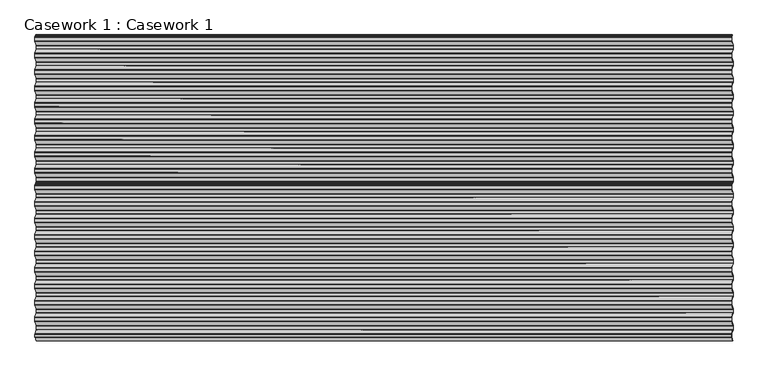
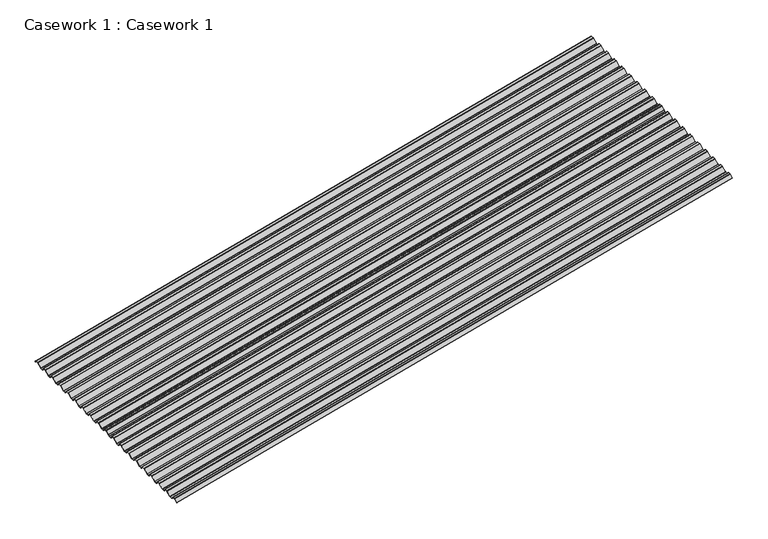
"""IFC4 building model written with IfcOpenShell, lengths in millimetres: furniture geometry, Casework 1 : Casework 1."""

from ifc_helpers import new_model, si_unit, point, frame, frame_2d, origin, place, context, project, spatial, polyline, circle_curve, trimmed, segment, composite_curve, outline, extrude, source, transform, mapped, element, save


def casework_1_casework_1_73ebd153(model_context):
    return source(origin(), model_context, "Body", "SweptSolid", [
        extrude(outline(composite_curve([segment(polyline([(-18.2436099, -22.4266797), (-18.4490736, -24.6598886), (-16.2158647, -24.8653523), (-11.7967966, -30.1799547)]), True, "CONTINUOUS"), segment(trimmed(circle_curve(frame_2d((-9.5, -28.25)), 3.0), [point((-11.7967966, -30.1799547))], [point((-9.5, -31.2499999))], True, "CARTESIAN"), True, "CONTINUOUS"), segment(polyline([(-9.5, -31.2499999), (9.5000005, -31.2499994)]), True, "CONTINUOUS"), segment(trimmed(circle_curve(frame_2d((9.5000004, -28.2499995)), 3.0), [point((9.5000005, -31.2499994))], [point((11.7936508, -30.1836923))], True, "CARTESIAN"), True, "CONTINUOUS"), segment(polyline([(11.7936508, -30.1836923), (36.0417995, -1.4217428)]), True, "CONTINUOUS"), segment(trimmed(circle_curve(frame_2d((39.1, -4.0)), 4.0), [point((36.0417995, -1.4217428))], [point((39.1, 0.0))], False, "CARTESIAN"), True, "CONTINUOUS"), segment(polyline([(39.1, 0.0), (58.12, 0.0)]), True, "CONTINUOUS"), segment(trimmed(circle_curve(frame_2d((58.12, -4.0)), 4.0), [point((58.12, 0.0))], [point((61.1781997, -1.421742))], False, "CARTESIAN"), True, "CONTINUOUS"), segment(polyline([(61.1781997, -1.421742), (85.4212538, -30.1776317)]), True, "CONTINUOUS"), segment(trimmed(circle_curve(frame_2d((87.72, -28.2499995)), 3.0), [point((85.4212538, -30.1776317))], [point((87.7199999, -31.2499994))], True, "CARTESIAN"), True, "CONTINUOUS"), segment(polyline([(87.7199999, -31.2499994), (106.7199999, -31.2499999)]), True, "CONTINUOUS"), segment(trimmed(circle_curve(frame_2d((106.72, -28.25)), 3.0), [point((106.7199999, -31.2499999))], [point((109.0188259, -30.1775372))], True, "CARTESIAN"), True, "CONTINUOUS"), segment(polyline([(109.0188259, -30.1775372), (133.2566222, -1.4278964)]), True, "CONTINUOUS"), segment(trimmed(circle_curve(frame_2d((136.32, -4.0)), 4.0), [point((133.2566222, -1.4278964))], [point((136.32, 0.0))], False, "CARTESIAN"), True, "CONTINUOUS"), segment(polyline([(136.32, 0.0), (155.342, 0.0)]), True, "CONTINUOUS"), segment(trimmed(circle_curve(frame_2d((155.342, -4.0)), 4.0), [point((155.342, 0.0))], [point((158.4053777, -1.4278964))], False, "CARTESIAN"), True, "CONTINUOUS"), segment(polyline([(158.4053777, -1.4278964), (182.6432537, -30.1776317)]), True, "CONTINUOUS"), segment(trimmed(circle_curve(frame_2d((184.942, -28.2499995)), 3.0), [point((182.6432537, -30.1776317))], [point((184.942, -31.2499994))], True, "CARTESIAN"), True, "CONTINUOUS"), segment(polyline([(184.942, -31.2499994), (203.9402476, -31.2499994)]), True, "CONTINUOUS"), segment(trimmed(circle_curve(frame_2d((203.942, -28.25)), 3.0), [point((203.9402476, -31.2499994))], [point((206.2356503, -30.1836928))], True, "CARTESIAN"), True, "CONTINUOUS"), segment(polyline([(206.2356503, -30.1836928), (230.4837995, -1.4217428)]), True, "CONTINUOUS"), segment(trimmed(circle_curve(frame_2d((233.542, -4.0)), 4.0), [point((230.4837995, -1.4217428))], [point((233.542, 0.0))], False, "CARTESIAN"), True, "CONTINUOUS"), segment(polyline([(233.542, 0.0), (252.564, 0.0)]), True, "CONTINUOUS"), segment(trimmed(circle_curve(frame_2d((252.564, -4.0)), 4.0), [point((252.564, 0.0))], [point((255.6273777, -1.4278964))], False, "CARTESIAN"), True, "CONTINUOUS"), segment(polyline([(255.6273777, -1.4278964), (279.8652537, -30.1776317)]), True, "CONTINUOUS"), segment(trimmed(circle_curve(frame_2d((282.164, -28.2499995)), 3.0), [point((279.8652537, -30.1776317))], [point((282.164, -31.2499994))], True, "CARTESIAN"), True, "CONTINUOUS"), segment(polyline([(282.164, -31.2499994), (301.1622476, -31.2499994)]), True, "CONTINUOUS"), segment(trimmed(circle_curve(frame_2d((301.164, -28.25)), 3.0), [point((301.1622476, -31.2499994))], [point((303.4576499, -30.1836933))], True, "CARTESIAN"), True, "CONTINUOUS"), segment(polyline([(303.4576499, -30.1836933), (327.7006222, -1.4278964)]), True, "CONTINUOUS"), segment(trimmed(circle_curve(frame_2d((330.764, -4.0)), 4.0), [point((327.7006222, -1.4278964))], [point((330.764, 0.0))], False, "CARTESIAN"), True, "CONTINUOUS"), segment(polyline([(330.764, 0.0), (349.786, 0.0)]), True, "CONTINUOUS"), segment(trimmed(circle_curve(frame_2d((349.786, -4.0)), 4.0), [point((349.786, 0.0))], [point((352.8493777, -1.4278964))], False, "CARTESIAN"), True, "CONTINUOUS"), segment(polyline([(352.8493777, -1.4278964), (377.0872537, -30.1776317)]), True, "CONTINUOUS"), segment(trimmed(circle_curve(frame_2d((379.386, -28.2499995)), 3.0), [point((377.0872537, -30.1776317))], [point((379.3859999, -31.2499994))], True, "CARTESIAN"), True, "CONTINUOUS"), segment(polyline([(379.3859999, -31.2499994), (398.3859999, -31.2499999)]), True, "CONTINUOUS"), segment(trimmed(circle_curve(frame_2d((398.386, -28.25)), 3.0), [point((398.3859999, -31.2499999))], [point((400.6848258, -30.1775373))], True, "CARTESIAN"), True, "CONTINUOUS"), segment(polyline([(400.6848258, -30.1775373), (424.9278002, -1.421742)]), True, "CONTINUOUS"), segment(trimmed(circle_curve(frame_2d((427.986, -4.0)), 4.0), [point((424.9278002, -1.421742))], [point((427.986, 0.0))], False, "CARTESIAN"), True, "CONTINUOUS"), segment(polyline([(427.986, 0.0), (447.008, 0.0)]), True, "CONTINUOUS"), segment(trimmed(circle_curve(frame_2d((447.008, -4.0)), 4.0), [point((447.008, 0.0))], [point((450.0662005, -1.4217428))], False, "CARTESIAN"), True, "CONTINUOUS"), segment(polyline([(450.0662005, -1.4217428), (474.3143496, -30.1836928)]), True, "CONTINUOUS"), segment(trimmed(circle_curve(frame_2d((476.608, -28.25)), 3.0), [point((474.3143496, -30.1836928))], [point((476.608, -31.2499999))], True, "CARTESIAN"), True, "CONTINUOUS"), segment(polyline([(476.608, -31.2499999), (495.6080005, -31.2499994)]), True, "CONTINUOUS"), segment(trimmed(circle_curve(frame_2d((495.6080004, -28.2499995)), 3.0), [point((495.6080005, -31.2499994))], [point((497.9016504, -30.1836928))], True, "CARTESIAN"), True, "CONTINUOUS"), segment(polyline([(497.9016504, -30.1836928), (522.1446222, -1.4278964)]), True, "CONTINUOUS"), segment(trimmed(circle_curve(frame_2d((525.208, -4.0)), 4.0), [point((522.1446222, -1.4278964))], [point((525.208, 0.0))], False, "CARTESIAN"), True, "CONTINUOUS"), segment(polyline([(525.208, 0.0), (544.232, 0.0)]), True, "CONTINUOUS"), segment(trimmed(circle_curve(frame_2d((544.232, -4.0)), 4.0), [point((544.232, 0.0))], [point((547.2953777, -1.4278964))], False, "CARTESIAN"), True, "CONTINUOUS"), segment(polyline([(547.2953777, -1.4278964), (571.5332537, -30.1776317)]), True, "CONTINUOUS"), segment(trimmed(circle_curve(frame_2d((573.832, -28.2499995)), 3.0), [point((571.5332537, -30.1776317))], [point((573.8319999, -31.2499994))], True, "CARTESIAN"), True, "CONTINUOUS"), segment(polyline([(573.8319999, -31.2499994), (592.8319999, -31.2499999)]), True, "CONTINUOUS"), segment(trimmed(circle_curve(frame_2d((592.832, -28.25)), 3.0), [point((592.8319999, -31.2499999))], [point((595.1308259, -30.1775372))], True, "CARTESIAN"), True, "CONTINUOUS"), segment(polyline([(595.1308259, -30.1775372), (619.3686222, -1.4278964)]), True, "CONTINUOUS"), segment(trimmed(circle_curve(frame_2d((622.432, -4.0)), 4.0), [point((619.3686222, -1.4278964))], [point((622.432, 0.0))], False, "CARTESIAN"), True, "CONTINUOUS"), segment(polyline([(622.432, 0.0), (641.454, 0.0)]), True, "CONTINUOUS"), segment(trimmed(circle_curve(frame_2d((641.454, -4.0)), 4.0), [point((641.454, 0.0))], [point((644.5173777, -1.4278964))], False, "CARTESIAN"), True, "CONTINUOUS"), segment(polyline([(644.5173777, -1.4278964), (668.7552537, -30.1776317)]), True, "CONTINUOUS"), segment(trimmed(circle_curve(frame_2d((671.054, -28.2499995)), 3.0), [point((668.7552537, -30.1776317))], [point((671.0539999, -31.2499994))], True, "CARTESIAN"), True, "CONTINUOUS"), segment(polyline([(671.0539999, -31.2499994), (690.0539999, -31.2499999)]), True, "CONTINUOUS"), segment(trimmed(circle_curve(frame_2d((690.054, -28.25)), 3.0), [point((690.0539999, -31.2499999))], [point((692.3528259, -30.1775372))], True, "CARTESIAN"), True, "CONTINUOUS"), segment(polyline([(692.3528259, -30.1775372), (716.5906222, -1.4278964)]), True, "CONTINUOUS"), segment(trimmed(circle_curve(frame_2d((719.654, -4.0)), 4.0), [point((716.5906222, -1.4278964))], [point((719.654, 0.0))], False, "CARTESIAN"), True, "CONTINUOUS"), segment(polyline([(719.654, 0.0), (738.676, 0.0)]), True, "CONTINUOUS"), segment(trimmed(circle_curve(frame_2d((738.676, -4.0)), 4.0), [point((738.676, 0.0))], [point((741.7393777, -1.4278964))], False, "CARTESIAN"), True, "CONTINUOUS"), segment(polyline([(741.7393777, -1.4278964), (765.9772537, -30.1776317)]), True, "CONTINUOUS"), segment(trimmed(circle_curve(frame_2d((768.276, -28.2499995)), 3.0), [point((765.9772537, -30.1776317))], [point((768.2759999, -31.2499994))], True, "CARTESIAN"), True, "CONTINUOUS"), segment(polyline([(768.2759999, -31.2499994), (787.2759999, -31.2499999)]), True, "CONTINUOUS"), segment(trimmed(circle_curve(frame_2d((787.276, -28.25)), 3.0), [point((787.2759999, -31.2499999))], [point((789.5748259, -30.1775372))], True, "CARTESIAN"), True, "CONTINUOUS"), segment(polyline([(789.5748259, -30.1775372), (813.8126222, -1.4278964)]), True, "CONTINUOUS"), segment(trimmed(circle_curve(frame_2d((816.876, -4.0)), 4.0), [point((813.8126222, -1.4278964))], [point((816.876, 0.0))], False, "CARTESIAN"), True, "CONTINUOUS"), segment(polyline([(816.876, 0.0), (838.6568295, 0.0)]), True, "CONTINUOUS"), segment(trimmed(circle_curve(frame_2d((838.6568295, -4.0)), 4.0), [point((838.6568295, 0.0))], [point((841.7061337, -1.4112273))], False, "CARTESIAN"), True, "CONTINUOUS"), segment(polyline([(841.7061337, -1.4112273), (861.8350701, -25.25), (863.7304827, -25.25)]), True, "CONTINUOUS"), segment(trimmed(circle_curve(frame_2d((863.7304827, -27.2499999)), 2.0), [point((863.7304827, -25.25))], [point((865.2683143, -25.9712999))], False, "CARTESIAN"), True, "CONTINUOUS"), segment(polyline([(865.2683143, -25.9712999), (868.0010641, -29.2578479), (883.4536327, -29.25)]), True, "CONTINUOUS"), segment(trimmed(circle_curve(frame_2d((883.4536327, -26.25)), 3.0), [point((883.4536327, -29.25))], [point((885.7420901, -28.1898358))], True, "CARTESIAN"), True, "CONTINUOUS"), segment(polyline([(885.7420901, -28.1898358), (904.8739638, -5.4965708)]), True, "CONTINUOUS"), segment(trimmed(circle_curve(frame_2d((905.2059099, -5.8742903)), 0.5028521), [point((904.8739638, -5.4965708))], [point((905.5969394, -6.1904487))], False, "CARTESIAN"), True, "CONTINUOUS"), segment(polyline([(905.5969394, -6.1904487), (886.5178105, -28.8211504)]), True, "CONTINUOUS"), segment(trimmed(circle_curve(frame_2d((883.4536327, -26.25)), 4.0), [point((886.5178105, -28.8211504))], [point((883.4536327, -30.25))], False, "CARTESIAN"), True, "CONTINUOUS"), segment(polyline([(883.4536327, -30.25), (868.001572, -30.2578476)]), True, "CONTINUOUS"), segment(trimmed(circle_curve(frame_2d((868.0010641, -29.2578479)), 1.0), [point((868.001572, -30.2578476))], [point((867.2321483, -29.8971979))], False, "CARTESIAN"), True, "CONTINUOUS"), segment(polyline([(867.2321483, -29.8971979), (864.4993985, -26.6106499)]), True, "CONTINUOUS"), segment(trimmed(circle_curve(frame_2d((863.7304827, -27.2499999)), 1.0), [point((864.4993985, -26.6106499))], [point((863.7304827, -26.25))], True, "CARTESIAN"), True, "CONTINUOUS"), segment(polyline([(863.7304827, -26.25), (861.3706417, -26.25), (840.9549628, -2.0716371)]), True, "CONTINUOUS"), segment(trimmed(circle_curve(frame_2d((838.6568295, -4.0)), 3.0), [point((840.9549628, -2.0716371))], [point((838.6568295, -1.0))], True, "CARTESIAN"), True, "CONTINUOUS"), segment(polyline([(838.6568295, -1.0), (816.876, -1.0)]), True, "CONTINUOUS"), segment(trimmed(circle_curve(frame_2d((816.876, -4.0)), 3.0), [point((816.876, -1.0))], [point((814.5778666, -2.0716371))], True, "CARTESIAN"), True, "CONTINUOUS"), segment(polyline([(814.5778666, -2.0716371), (790.3401777, -30.8211505)]), True, "CONTINUOUS"), segment(trimmed(circle_curve(frame_2d((787.276, -28.25)), 4.0), [point((790.3401777, -30.8211505))], [point((787.276, -32.25))], False, "CARTESIAN"), True, "CONTINUOUS"), segment(polyline([(787.276, -32.25), (768.276, -32.25)]), True, "CONTINUOUS"), segment(trimmed(circle_curve(frame_2d((768.276, -28.25)), 4.0), [point((768.276, -32.25))], [point((765.2118222, -30.8211505))], False, "CARTESIAN"), True, "CONTINUOUS"), segment(polyline([(765.2118222, -30.8211505), (740.9741333, -2.0716371)]), True, "CONTINUOUS"), segment(trimmed(circle_curve(frame_2d((738.676, -4.0)), 3.0), [point((740.9741333, -2.0716371))], [point((738.676, -1.0))], True, "CARTESIAN"), True, "CONTINUOUS"), segment(polyline([(738.676, -1.0), (719.654, -1.0)]), True, "CONTINUOUS"), segment(trimmed(circle_curve(frame_2d((719.654, -4.0)), 3.0), [point((719.654, -1.0))], [point((717.3558666, -2.0716371))], True, "CARTESIAN"), True, "CONTINUOUS"), segment(polyline([(717.3558666, -2.0716371), (693.1181777, -30.8211505)]), True, "CONTINUOUS"), segment(trimmed(circle_curve(frame_2d((690.054, -28.25)), 4.0), [point((693.1181777, -30.8211505))], [point((690.054, -32.25))], False, "CARTESIAN"), True, "CONTINUOUS"), segment(polyline([(690.054, -32.25), (671.054, -32.25)]), True, "CONTINUOUS"), segment(trimmed(circle_curve(frame_2d((671.054, -28.25)), 4.0), [point((671.054, -32.25))], [point((667.9898222, -30.8211505))], False, "CARTESIAN"), True, "CONTINUOUS"), segment(polyline([(667.9898222, -30.8211505), (643.7521333, -2.0716371)]), True, "CONTINUOUS"), segment(trimmed(circle_curve(frame_2d((641.454, -4.0)), 3.0), [point((643.7521333, -2.0716371))], [point((641.454, -1.0))], True, "CARTESIAN"), True, "CONTINUOUS"), segment(polyline([(641.454, -1.0), (622.432, -1.0)]), True, "CONTINUOUS"), segment(trimmed(circle_curve(frame_2d((622.432, -4.0)), 3.0), [point((622.432, -1.0))], [point((620.1338666, -2.0716371))], True, "CARTESIAN"), True, "CONTINUOUS"), segment(polyline([(620.1338666, -2.0716371), (595.8961777, -30.8211505)]), True, "CONTINUOUS"), segment(trimmed(circle_curve(frame_2d((592.832, -28.25)), 4.0), [point((595.8961777, -30.8211505))], [point((592.832, -32.25))], False, "CARTESIAN"), True, "CONTINUOUS"), segment(polyline([(592.832, -32.25), (573.832, -32.25)]), True, "CONTINUOUS"), segment(trimmed(circle_curve(frame_2d((573.832, -28.25)), 4.0), [point((573.832, -32.25))], [point((570.7678222, -30.8211505))], False, "CARTESIAN"), True, "CONTINUOUS"), segment(polyline([(570.7678222, -30.8211505), (546.5301333, -2.0716371)]), True, "CONTINUOUS"), segment(trimmed(circle_curve(frame_2d((544.232, -4.0)), 3.0), [point((546.5301333, -2.0716371))], [point((544.232, -1.0))], True, "CARTESIAN"), True, "CONTINUOUS"), segment(polyline([(544.232, -1.0), (525.208, -1.0)]), True, "CONTINUOUS"), segment(trimmed(circle_curve(frame_2d((525.208, -4.0)), 3.0), [point((525.208, -1.0))], [point((522.9098666, -2.0716371))], True, "CARTESIAN"), True, "CONTINUOUS"), segment(polyline([(522.9098666, -2.0716371), (498.6661999, -30.8282577)]), True, "CONTINUOUS"), segment(trimmed(circle_curve(frame_2d((495.608, -28.25)), 4.0), [point((498.6661999, -30.8282577))], [point((495.608, -32.25))], False, "CARTESIAN"), True, "CONTINUOUS"), segment(polyline([(495.608, -32.25), (476.608, -32.25)]), True, "CONTINUOUS"), segment(trimmed(circle_curve(frame_2d((476.608, -28.25)), 4.0), [point((476.608, -32.25))], [point((473.5497995, -30.8282571))], False, "CARTESIAN"), True, "CONTINUOUS"), segment(polyline([(473.5497995, -30.8282571), (449.3016503, -2.0663071)]), True, "CONTINUOUS"), segment(trimmed(circle_curve(frame_2d((447.008, -4.0)), 3.0), [point((449.3016503, -2.0663071))], [point((447.008, -1.0))], True, "CARTESIAN"), True, "CONTINUOUS"), segment(polyline([(447.008, -1.0), (427.986, -1.0)]), True, "CONTINUOUS"), segment(trimmed(circle_curve(frame_2d((427.986, -4.0)), 3.0), [point((427.986, -1.0))], [point((425.6923501, -2.0663065))], True, "CARTESIAN"), True, "CONTINUOUS"), segment(polyline([(425.6923501, -2.0663065), (401.4501777, -30.8211505)]), True, "CONTINUOUS"), segment(trimmed(circle_curve(frame_2d((398.386, -28.25)), 4.0), [point((401.4501777, -30.8211505))], [point((398.386, -32.25))], False, "CARTESIAN"), True, "CONTINUOUS"), segment(polyline([(398.386, -32.25), (379.386, -32.25)]), True, "CONTINUOUS"), segment(trimmed(circle_curve(frame_2d((379.386, -28.25)), 4.0), [point((379.386, -32.25))], [point((376.3218222, -30.8211505))], False, "CARTESIAN"), True, "CONTINUOUS"), segment(polyline([(376.3218222, -30.8211505), (352.0841333, -2.0716371)]), True, "CONTINUOUS"), segment(trimmed(circle_curve(frame_2d((349.786, -4.0)), 3.0), [point((352.0841333, -2.0716371))], [point((349.786, -1.0))], True, "CARTESIAN"), True, "CONTINUOUS"), segment(polyline([(349.786, -1.0), (330.764, -1.0)]), True, "CONTINUOUS"), segment(trimmed(circle_curve(frame_2d((330.764, -4.0)), 3.0), [point((330.764, -1.0))], [point((328.4658666, -2.0716371))], True, "CARTESIAN"), True, "CONTINUOUS"), segment(polyline([(328.4658666, -2.0716371), (304.2221999, -30.8282577)]), True, "CONTINUOUS"), segment(trimmed(circle_curve(frame_2d((301.164, -28.25)), 4.0), [point((304.2221999, -30.8282577))], [point((301.164, -32.25))], False, "CARTESIAN"), True, "CONTINUOUS"), segment(polyline([(301.164, -32.25), (282.164, -32.25)]), True, "CONTINUOUS"), segment(trimmed(circle_curve(frame_2d((282.164, -28.25)), 4.0), [point((282.164, -32.25))], [point((279.0998222, -30.8211505))], False, "CARTESIAN"), True, "CONTINUOUS"), segment(polyline([(279.0998222, -30.8211505), (254.8621333, -2.0716371)]), True, "CONTINUOUS"), segment(trimmed(circle_curve(frame_2d((252.564, -4.0)), 3.0), [point((254.8621333, -2.0716371))], [point((252.564, -1.0))], True, "CARTESIAN"), True, "CONTINUOUS"), segment(polyline([(252.564, -1.0), (233.542, -1.0)]), True, "CONTINUOUS"), segment(trimmed(circle_curve(frame_2d((233.542, -4.0)), 3.0), [point((233.542, -1.0))], [point((231.2483496, -2.0663071))], True, "CARTESIAN"), True, "CONTINUOUS"), segment(polyline([(231.2483496, -2.0663071), (207.0002005, -30.8282571)]), True, "CONTINUOUS"), segment(trimmed(circle_curve(frame_2d((203.942, -28.25)), 4.0), [point((207.0002005, -30.8282571))], [point((203.942, -32.25))], False, "CARTESIAN"), True, "CONTINUOUS"), segment(polyline([(203.942, -32.25), (184.942, -32.25)]), True, "CONTINUOUS"), segment(trimmed(circle_curve(frame_2d((184.942, -28.25)), 4.0), [point((184.942, -32.25))], [point((181.8778222, -30.8211505))], False, "CARTESIAN"), True, "CONTINUOUS"), segment(polyline([(181.8778222, -30.8211505), (157.6401333, -2.0716371)]), True, "CONTINUOUS"), segment(trimmed(circle_curve(frame_2d((155.342, -4.0)), 3.0), [point((157.6401333, -2.0716371))], [point((155.342, -1.0))], True, "CARTESIAN"), True, "CONTINUOUS"), segment(polyline([(155.342, -1.0), (136.32, -1.0)]), True, "CONTINUOUS"), segment(trimmed(circle_curve(frame_2d((136.32, -4.0)), 3.0), [point((136.32, -1.0))], [point((134.0218666, -2.0716371))], True, "CARTESIAN"), True, "CONTINUOUS"), segment(polyline([(134.0218666, -2.0716371), (109.7841777, -30.8211505)]), True, "CONTINUOUS"), segment(trimmed(circle_curve(frame_2d((106.72, -28.25)), 4.0), [point((109.7841777, -30.8211505))], [point((106.72, -32.25))], False, "CARTESIAN"), True, "CONTINUOUS"), segment(polyline([(106.72, -32.25), (87.72, -32.25)]), True, "CONTINUOUS"), segment(trimmed(circle_curve(frame_2d((87.72, -28.25)), 4.0), [point((87.72, -32.25))], [point((84.6558222, -30.8211505))], False, "CARTESIAN"), True, "CONTINUOUS"), segment(polyline([(84.6558222, -30.8211505), (60.4136498, -2.0663065)]), True, "CONTINUOUS"), segment(trimmed(circle_curve(frame_2d((58.12, -4.0)), 3.0), [point((60.4136498, -2.0663065))], [point((58.12, -1.0))], True, "CARTESIAN"), True, "CONTINUOUS"), segment(polyline([(58.12, -1.0), (39.1, -1.0)]), True, "CONTINUOUS"), segment(trimmed(circle_curve(frame_2d((39.1, -4.0)), 3.0), [point((39.1, -1.0))], [point((36.8063496, -2.0663071))], True, "CARTESIAN"), True, "CONTINUOUS"), segment(polyline([(36.8063496, -2.0663071), (12.5582005, -30.8282571)]), True, "CONTINUOUS"), segment(trimmed(circle_curve(frame_2d((9.5, -28.25)), 4.0), [point((12.5582005, -30.8282571))], [point((9.5, -32.25))], False, "CARTESIAN"), True, "CONTINUOUS"), segment(polyline([(9.5, -32.25), (-9.5, -32.25)]), True, "CONTINUOUS"), segment(trimmed(circle_curve(frame_2d((-9.5, -28.25)), 4.0), [point((-9.5, -32.25))], [point((-12.5641778, -30.8211505))], False, "CARTESIAN"), True, "CONTINUOUS"), segment(polyline([(-12.5641778, -30.8211505), (-16.719953, -25.8231976), (-18.8323518, -25.628849), (-19.4717019, -24.8599331), (-19.2773532, -22.7475344), (-23.4331284, -17.7495815)]), True, "CONTINUOUS"), segment(trimmed(circle_curve(frame_2d((-23.0454162, -17.4272006)), 0.5042323), [point((-23.4331284, -17.7495815))], [point((-22.7230352, -17.0394883))], False, "CARTESIAN"), True, "CONTINUOUS"), segment(polyline([(-22.7230352, -17.0394883), (-18.2436099, -22.4266797)]), True, "CONTINUOUS")], self_intersect=False)), frame((-900.7024995, 3591.0671453, 5069.684833), z_axis=(0.9659258262891571, 0.0, 0.25881904510218945), x_axis=(0.0, -1.0, 0.0)), (0.0, 0.0, 1.0), 4250.0),
        extrude(outline(composite_curve([segment(polyline([(-18.2436099, -22.4266797), (-18.4490736, -24.6598886), (-16.2158647, -24.8653523), (-11.7967966, -30.1799547)]), True, "CONTINUOUS"), segment(trimmed(circle_curve(frame_2d((-9.5, -28.25)), 3.0), [point((-11.7967966, -30.1799547))], [point((-9.5, -31.2499999))], True, "CARTESIAN"), True, "CONTINUOUS"), segment(polyline([(-9.5, -31.2499999), (9.5000005, -31.2499994)]), True, "CONTINUOUS"), segment(trimmed(circle_curve(frame_2d((9.5000004, -28.2499995)), 3.0), [point((9.5000005, -31.2499994))], [point((11.7936508, -30.1836923))], True, "CARTESIAN"), True, "CONTINUOUS"), segment(polyline([(11.7936508, -30.1836923), (36.0417995, -1.4217428)]), True, "CONTINUOUS"), segment(trimmed(circle_curve(frame_2d((39.1, -4.0)), 4.0), [point((36.0417995, -1.4217428))], [point((39.1, 0.0))], False, "CARTESIAN"), True, "CONTINUOUS"), segment(polyline([(39.1, 0.0), (58.12, 0.0)]), True, "CONTINUOUS"), segment(trimmed(circle_curve(frame_2d((58.12, -4.0)), 4.0), [point((58.12, 0.0))], [point((61.1781997, -1.421742))], False, "CARTESIAN"), True, "CONTINUOUS"), segment(polyline([(61.1781997, -1.421742), (85.4212538, -30.1776317)]), True, "CONTINUOUS"), segment(trimmed(circle_curve(frame_2d((87.72, -28.2499995)), 3.0), [point((85.4212538, -30.1776317))], [point((87.7199999, -31.2499994))], True, "CARTESIAN"), True, "CONTINUOUS"), segment(polyline([(87.7199999, -31.2499994), (106.7199999, -31.2499999)]), True, "CONTINUOUS"), segment(trimmed(circle_curve(frame_2d((106.72, -28.25)), 3.0), [point((106.7199999, -31.2499999))], [point((109.0188259, -30.1775372))], True, "CARTESIAN"), True, "CONTINUOUS"), segment(polyline([(109.0188259, -30.1775372), (133.2566222, -1.4278964)]), True, "CONTINUOUS"), segment(trimmed(circle_curve(frame_2d((136.32, -4.0)), 4.0), [point((133.2566222, -1.4278964))], [point((136.32, 0.0))], False, "CARTESIAN"), True, "CONTINUOUS"), segment(polyline([(136.32, 0.0), (155.342, 0.0)]), True, "CONTINUOUS"), segment(trimmed(circle_curve(frame_2d((155.342, -4.0)), 4.0), [point((155.342, 0.0))], [point((158.4053777, -1.4278964))], False, "CARTESIAN"), True, "CONTINUOUS"), segment(polyline([(158.4053777, -1.4278964), (182.6432537, -30.1776317)]), True, "CONTINUOUS"), segment(trimmed(circle_curve(frame_2d((184.942, -28.2499995)), 3.0), [point((182.6432537, -30.1776317))], [point((184.942, -31.2499994))], True, "CARTESIAN"), True, "CONTINUOUS"), segment(polyline([(184.942, -31.2499994), (203.9402476, -31.2499994)]), True, "CONTINUOUS"), segment(trimmed(circle_curve(frame_2d((203.942, -28.25)), 3.0), [point((203.9402476, -31.2499994))], [point((206.2356503, -30.1836928))], True, "CARTESIAN"), True, "CONTINUOUS"), segment(polyline([(206.2356503, -30.1836928), (230.4837995, -1.4217428)]), True, "CONTINUOUS"), segment(trimmed(circle_curve(frame_2d((233.542, -4.0)), 4.0), [point((230.4837995, -1.4217428))], [point((233.542, 0.0))], False, "CARTESIAN"), True, "CONTINUOUS"), segment(polyline([(233.542, 0.0), (252.564, 0.0)]), True, "CONTINUOUS"), segment(trimmed(circle_curve(frame_2d((252.564, -4.0)), 4.0), [point((252.564, 0.0))], [point((255.6273777, -1.4278964))], False, "CARTESIAN"), True, "CONTINUOUS"), segment(polyline([(255.6273777, -1.4278964), (279.8652537, -30.1776317)]), True, "CONTINUOUS"), segment(trimmed(circle_curve(frame_2d((282.164, -28.2499995)), 3.0), [point((279.8652537, -30.1776317))], [point((282.164, -31.2499994))], True, "CARTESIAN"), True, "CONTINUOUS"), segment(polyline([(282.164, -31.2499994), (301.1622476, -31.2499994)]), True, "CONTINUOUS"), segment(trimmed(circle_curve(frame_2d((301.164, -28.25)), 3.0), [point((301.1622476, -31.2499994))], [point((303.4576499, -30.1836933))], True, "CARTESIAN"), True, "CONTINUOUS"), segment(polyline([(303.4576499, -30.1836933), (327.7006222, -1.4278964)]), True, "CONTINUOUS"), segment(trimmed(circle_curve(frame_2d((330.764, -4.0)), 4.0), [point((327.7006222, -1.4278964))], [point((330.764, 0.0))], False, "CARTESIAN"), True, "CONTINUOUS"), segment(polyline([(330.764, 0.0), (349.786, 0.0)]), True, "CONTINUOUS"), segment(trimmed(circle_curve(frame_2d((349.786, -4.0)), 4.0), [point((349.786, 0.0))], [point((352.8493777, -1.4278964))], False, "CARTESIAN"), True, "CONTINUOUS"), segment(polyline([(352.8493777, -1.4278964), (377.0872537, -30.1776317)]), True, "CONTINUOUS"), segment(trimmed(circle_curve(frame_2d((379.386, -28.2499995)), 3.0), [point((377.0872537, -30.1776317))], [point((379.3859999, -31.2499994))], True, "CARTESIAN"), True, "CONTINUOUS"), segment(polyline([(379.3859999, -31.2499994), (398.3859999, -31.2499999)]), True, "CONTINUOUS"), segment(trimmed(circle_curve(frame_2d((398.386, -28.25)), 3.0), [point((398.3859999, -31.2499999))], [point((400.6848258, -30.1775373))], True, "CARTESIAN"), True, "CONTINUOUS"), segment(polyline([(400.6848258, -30.1775373), (424.9278002, -1.421742)]), True, "CONTINUOUS"), segment(trimmed(circle_curve(frame_2d((427.986, -4.0)), 4.0), [point((424.9278002, -1.421742))], [point((427.986, 0.0))], False, "CARTESIAN"), True, "CONTINUOUS"), segment(polyline([(427.986, 0.0), (447.008, 0.0)]), True, "CONTINUOUS"), segment(trimmed(circle_curve(frame_2d((447.008, -4.0)), 4.0), [point((447.008, 0.0))], [point((450.0662005, -1.4217428))], False, "CARTESIAN"), True, "CONTINUOUS"), segment(polyline([(450.0662005, -1.4217428), (474.3143496, -30.1836928)]), True, "CONTINUOUS"), segment(trimmed(circle_curve(frame_2d((476.608, -28.25)), 3.0), [point((474.3143496, -30.1836928))], [point((476.608, -31.2499999))], True, "CARTESIAN"), True, "CONTINUOUS"), segment(polyline([(476.608, -31.2499999), (495.6080005, -31.2499994)]), True, "CONTINUOUS"), segment(trimmed(circle_curve(frame_2d((495.6080004, -28.2499995)), 3.0), [point((495.6080005, -31.2499994))], [point((497.9016504, -30.1836928))], True, "CARTESIAN"), True, "CONTINUOUS"), segment(polyline([(497.9016504, -30.1836928), (522.1446222, -1.4278964)]), True, "CONTINUOUS"), segment(trimmed(circle_curve(frame_2d((525.208, -4.0)), 4.0), [point((522.1446222, -1.4278964))], [point((525.208, 0.0))], False, "CARTESIAN"), True, "CONTINUOUS"), segment(polyline([(525.208, 0.0), (544.232, 0.0)]), True, "CONTINUOUS"), segment(trimmed(circle_curve(frame_2d((544.232, -4.0)), 4.0), [point((544.232, 0.0))], [point((547.2953777, -1.4278964))], False, "CARTESIAN"), True, "CONTINUOUS"), segment(polyline([(547.2953777, -1.4278964), (571.5332537, -30.1776317)]), True, "CONTINUOUS"), segment(trimmed(circle_curve(frame_2d((573.832, -28.2499995)), 3.0), [point((571.5332537, -30.1776317))], [point((573.8319999, -31.2499994))], True, "CARTESIAN"), True, "CONTINUOUS"), segment(polyline([(573.8319999, -31.2499994), (592.8319999, -31.2499999)]), True, "CONTINUOUS"), segment(trimmed(circle_curve(frame_2d((592.832, -28.25)), 3.0), [point((592.8319999, -31.2499999))], [point((595.1308259, -30.1775372))], True, "CARTESIAN"), True, "CONTINUOUS"), segment(polyline([(595.1308259, -30.1775372), (619.3686222, -1.4278964)]), True, "CONTINUOUS"), segment(trimmed(circle_curve(frame_2d((622.432, -4.0)), 4.0), [point((619.3686222, -1.4278964))], [point((622.432, 0.0))], False, "CARTESIAN"), True, "CONTINUOUS"), segment(polyline([(622.432, 0.0), (641.454, 0.0)]), True, "CONTINUOUS"), segment(trimmed(circle_curve(frame_2d((641.454, -4.0)), 4.0), [point((641.454, 0.0))], [point((644.5173777, -1.4278964))], False, "CARTESIAN"), True, "CONTINUOUS"), segment(polyline([(644.5173777, -1.4278964), (668.7552537, -30.1776317)]), True, "CONTINUOUS"), segment(trimmed(circle_curve(frame_2d((671.054, -28.2499995)), 3.0), [point((668.7552537, -30.1776317))], [point((671.0539999, -31.2499994))], True, "CARTESIAN"), True, "CONTINUOUS"), segment(polyline([(671.0539999, -31.2499994), (690.0539999, -31.2499999)]), True, "CONTINUOUS"), segment(trimmed(circle_curve(frame_2d((690.054, -28.25)), 3.0), [point((690.0539999, -31.2499999))], [point((692.3528259, -30.1775372))], True, "CARTESIAN"), True, "CONTINUOUS"), segment(polyline([(692.3528259, -30.1775372), (716.5906222, -1.4278964)]), True, "CONTINUOUS"), segment(trimmed(circle_curve(frame_2d((719.654, -4.0)), 4.0), [point((716.5906222, -1.4278964))], [point((719.654, 0.0))], False, "CARTESIAN"), True, "CONTINUOUS"), segment(polyline([(719.654, 0.0), (738.676, 0.0)]), True, "CONTINUOUS"), segment(trimmed(circle_curve(frame_2d((738.676, -4.0)), 4.0), [point((738.676, 0.0))], [point((741.7393777, -1.4278964))], False, "CARTESIAN"), True, "CONTINUOUS"), segment(polyline([(741.7393777, -1.4278964), (765.9772537, -30.1776317)]), True, "CONTINUOUS"), segment(trimmed(circle_curve(frame_2d((768.276, -28.2499995)), 3.0), [point((765.9772537, -30.1776317))], [point((768.2759999, -31.2499994))], True, "CARTESIAN"), True, "CONTINUOUS"), segment(polyline([(768.2759999, -31.2499994), (787.2759999, -31.2499999)]), True, "CONTINUOUS"), segment(trimmed(circle_curve(frame_2d((787.276, -28.25)), 3.0), [point((787.2759999, -31.2499999))], [point((789.5748259, -30.1775372))], True, "CARTESIAN"), True, "CONTINUOUS"), segment(polyline([(789.5748259, -30.1775372), (813.8126222, -1.4278964)]), True, "CONTINUOUS"), segment(trimmed(circle_curve(frame_2d((816.876, -4.0)), 4.0), [point((813.8126222, -1.4278964))], [point((816.876, 0.0))], False, "CARTESIAN"), True, "CONTINUOUS"), segment(polyline([(816.876, 0.0), (838.6568295, 0.0)]), True, "CONTINUOUS"), segment(trimmed(circle_curve(frame_2d((838.6568295, -4.0)), 4.0), [point((838.6568295, 0.0))], [point((841.7061337, -1.4112273))], False, "CARTESIAN"), True, "CONTINUOUS"), segment(polyline([(841.7061337, -1.4112273), (861.8350701, -25.25), (863.7304827, -25.25)]), True, "CONTINUOUS"), segment(trimmed(circle_curve(frame_2d((863.7304827, -27.2499999)), 2.0), [point((863.7304827, -25.25))], [point((865.2683143, -25.9712999))], False, "CARTESIAN"), True, "CONTINUOUS"), segment(polyline([(865.2683143, -25.9712999), (868.0010641, -29.2578479), (883.4536327, -29.25)]), True, "CONTINUOUS"), segment(trimmed(circle_curve(frame_2d((883.4536327, -26.25)), 3.0), [point((883.4536327, -29.25))], [point((885.7420901, -28.1898358))], True, "CARTESIAN"), True, "CONTINUOUS"), segment(polyline([(885.7420901, -28.1898358), (904.8739638, -5.4965708)]), True, "CONTINUOUS"), segment(trimmed(circle_curve(frame_2d((905.2059099, -5.8742903)), 0.5028521), [point((904.8739638, -5.4965708))], [point((905.5969394, -6.1904487))], False, "CARTESIAN"), True, "CONTINUOUS"), segment(polyline([(905.5969394, -6.1904487), (886.5178105, -28.8211504)]), True, "CONTINUOUS"), segment(trimmed(circle_curve(frame_2d((883.4536327, -26.25)), 4.0), [point((886.5178105, -28.8211504))], [point((883.4536327, -30.25))], False, "CARTESIAN"), True, "CONTINUOUS"), segment(polyline([(883.4536327, -30.25), (868.001572, -30.2578476)]), True, "CONTINUOUS"), segment(trimmed(circle_curve(frame_2d((868.0010641, -29.2578479)), 1.0), [point((868.001572, -30.2578476))], [point((867.2321483, -29.8971979))], False, "CARTESIAN"), True, "CONTINUOUS"), segment(polyline([(867.2321483, -29.8971979), (864.4993985, -26.6106499)]), True, "CONTINUOUS"), segment(trimmed(circle_curve(frame_2d((863.7304827, -27.2499999)), 1.0), [point((864.4993985, -26.6106499))], [point((863.7304827, -26.25))], True, "CARTESIAN"), True, "CONTINUOUS"), segment(polyline([(863.7304827, -26.25), (861.3706417, -26.25), (840.9549628, -2.0716371)]), True, "CONTINUOUS"), segment(trimmed(circle_curve(frame_2d((838.6568295, -4.0)), 3.0), [point((840.9549628, -2.0716371))], [point((838.6568295, -1.0))], True, "CARTESIAN"), True, "CONTINUOUS"), segment(polyline([(838.6568295, -1.0), (816.876, -1.0)]), True, "CONTINUOUS"), segment(trimmed(circle_curve(frame_2d((816.876, -4.0)), 3.0), [point((816.876, -1.0))], [point((814.5778666, -2.0716371))], True, "CARTESIAN"), True, "CONTINUOUS"), segment(polyline([(814.5778666, -2.0716371), (790.3401777, -30.8211505)]), True, "CONTINUOUS"), segment(trimmed(circle_curve(frame_2d((787.276, -28.25)), 4.0), [point((790.3401777, -30.8211505))], [point((787.276, -32.25))], False, "CARTESIAN"), True, "CONTINUOUS"), segment(polyline([(787.276, -32.25), (768.276, -32.25)]), True, "CONTINUOUS"), segment(trimmed(circle_curve(frame_2d((768.276, -28.25)), 4.0), [point((768.276, -32.25))], [point((765.2118222, -30.8211505))], False, "CARTESIAN"), True, "CONTINUOUS"), segment(polyline([(765.2118222, -30.8211505), (740.9741333, -2.0716371)]), True, "CONTINUOUS"), segment(trimmed(circle_curve(frame_2d((738.676, -4.0)), 3.0), [point((740.9741333, -2.0716371))], [point((738.676, -1.0))], True, "CARTESIAN"), True, "CONTINUOUS"), segment(polyline([(738.676, -1.0), (719.654, -1.0)]), True, "CONTINUOUS"), segment(trimmed(circle_curve(frame_2d((719.654, -4.0)), 3.0), [point((719.654, -1.0))], [point((717.3558666, -2.0716371))], True, "CARTESIAN"), True, "CONTINUOUS"), segment(polyline([(717.3558666, -2.0716371), (693.1181777, -30.8211505)]), True, "CONTINUOUS"), segment(trimmed(circle_curve(frame_2d((690.054, -28.25)), 4.0), [point((693.1181777, -30.8211505))], [point((690.054, -32.25))], False, "CARTESIAN"), True, "CONTINUOUS"), segment(polyline([(690.054, -32.25), (671.054, -32.25)]), True, "CONTINUOUS"), segment(trimmed(circle_curve(frame_2d((671.054, -28.25)), 4.0), [point((671.054, -32.25))], [point((667.9898222, -30.8211505))], False, "CARTESIAN"), True, "CONTINUOUS"), segment(polyline([(667.9898222, -30.8211505), (643.7521333, -2.0716371)]), True, "CONTINUOUS"), segment(trimmed(circle_curve(frame_2d((641.454, -4.0)), 3.0), [point((643.7521333, -2.0716371))], [point((641.454, -1.0))], True, "CARTESIAN"), True, "CONTINUOUS"), segment(polyline([(641.454, -1.0), (622.432, -1.0)]), True, "CONTINUOUS"), segment(trimmed(circle_curve(frame_2d((622.432, -4.0)), 3.0), [point((622.432, -1.0))], [point((620.1338666, -2.0716371))], True, "CARTESIAN"), True, "CONTINUOUS"), segment(polyline([(620.1338666, -2.0716371), (595.8961777, -30.8211505)]), True, "CONTINUOUS"), segment(trimmed(circle_curve(frame_2d((592.832, -28.25)), 4.0), [point((595.8961777, -30.8211505))], [point((592.832, -32.25))], False, "CARTESIAN"), True, "CONTINUOUS"), segment(polyline([(592.832, -32.25), (573.832, -32.25)]), True, "CONTINUOUS"), segment(trimmed(circle_curve(frame_2d((573.832, -28.25)), 4.0), [point((573.832, -32.25))], [point((570.7678222, -30.8211505))], False, "CARTESIAN"), True, "CONTINUOUS"), segment(polyline([(570.7678222, -30.8211505), (546.5301333, -2.0716371)]), True, "CONTINUOUS"), segment(trimmed(circle_curve(frame_2d((544.232, -4.0)), 3.0), [point((546.5301333, -2.0716371))], [point((544.232, -1.0))], True, "CARTESIAN"), True, "CONTINUOUS"), segment(polyline([(544.232, -1.0), (525.208, -1.0)]), True, "CONTINUOUS"), segment(trimmed(circle_curve(frame_2d((525.208, -4.0)), 3.0), [point((525.208, -1.0))], [point((522.9098666, -2.0716371))], True, "CARTESIAN"), True, "CONTINUOUS"), segment(polyline([(522.9098666, -2.0716371), (498.6661999, -30.8282577)]), True, "CONTINUOUS"), segment(trimmed(circle_curve(frame_2d((495.608, -28.25)), 4.0), [point((498.6661999, -30.8282577))], [point((495.608, -32.25))], False, "CARTESIAN"), True, "CONTINUOUS"), segment(polyline([(495.608, -32.25), (476.608, -32.25)]), True, "CONTINUOUS"), segment(trimmed(circle_curve(frame_2d((476.608, -28.25)), 4.0), [point((476.608, -32.25))], [point((473.5497995, -30.8282571))], False, "CARTESIAN"), True, "CONTINUOUS"), segment(polyline([(473.5497995, -30.8282571), (449.3016503, -2.0663071)]), True, "CONTINUOUS"), segment(trimmed(circle_curve(frame_2d((447.008, -4.0)), 3.0), [point((449.3016503, -2.0663071))], [point((447.008, -1.0))], True, "CARTESIAN"), True, "CONTINUOUS"), segment(polyline([(447.008, -1.0), (427.986, -1.0)]), True, "CONTINUOUS"), segment(trimmed(circle_curve(frame_2d((427.986, -4.0)), 3.0), [point((427.986, -1.0))], [point((425.6923501, -2.0663065))], True, "CARTESIAN"), True, "CONTINUOUS"), segment(polyline([(425.6923501, -2.0663065), (401.4501777, -30.8211505)]), True, "CONTINUOUS"), segment(trimmed(circle_curve(frame_2d((398.386, -28.25)), 4.0), [point((401.4501777, -30.8211505))], [point((398.386, -32.25))], False, "CARTESIAN"), True, "CONTINUOUS"), segment(polyline([(398.386, -32.25), (379.386, -32.25)]), True, "CONTINUOUS"), segment(trimmed(circle_curve(frame_2d((379.386, -28.25)), 4.0), [point((379.386, -32.25))], [point((376.3218222, -30.8211505))], False, "CARTESIAN"), True, "CONTINUOUS"), segment(polyline([(376.3218222, -30.8211505), (352.0841333, -2.0716371)]), True, "CONTINUOUS"), segment(trimmed(circle_curve(frame_2d((349.786, -4.0)), 3.0), [point((352.0841333, -2.0716371))], [point((349.786, -1.0))], True, "CARTESIAN"), True, "CONTINUOUS"), segment(polyline([(349.786, -1.0), (330.764, -1.0)]), True, "CONTINUOUS"), segment(trimmed(circle_curve(frame_2d((330.764, -4.0)), 3.0), [point((330.764, -1.0))], [point((328.4658666, -2.0716371))], True, "CARTESIAN"), True, "CONTINUOUS"), segment(polyline([(328.4658666, -2.0716371), (304.2221999, -30.8282577)]), True, "CONTINUOUS"), segment(trimmed(circle_curve(frame_2d((301.164, -28.25)), 4.0), [point((304.2221999, -30.8282577))], [point((301.164, -32.25))], False, "CARTESIAN"), True, "CONTINUOUS"), segment(polyline([(301.164, -32.25), (282.164, -32.25)]), True, "CONTINUOUS"), segment(trimmed(circle_curve(frame_2d((282.164, -28.25)), 4.0), [point((282.164, -32.25))], [point((279.0998222, -30.8211505))], False, "CARTESIAN"), True, "CONTINUOUS"), segment(polyline([(279.0998222, -30.8211505), (254.8621333, -2.0716371)]), True, "CONTINUOUS"), segment(trimmed(circle_curve(frame_2d((252.564, -4.0)), 3.0), [point((254.8621333, -2.0716371))], [point((252.564, -1.0))], True, "CARTESIAN"), True, "CONTINUOUS"), segment(polyline([(252.564, -1.0), (233.542, -1.0)]), True, "CONTINUOUS"), segment(trimmed(circle_curve(frame_2d((233.542, -4.0)), 3.0), [point((233.542, -1.0))], [point((231.2483496, -2.0663071))], True, "CARTESIAN"), True, "CONTINUOUS"), segment(polyline([(231.2483496, -2.0663071), (207.0002005, -30.8282571)]), True, "CONTINUOUS"), segment(trimmed(circle_curve(frame_2d((203.942, -28.25)), 4.0), [point((207.0002005, -30.8282571))], [point((203.942, -32.25))], False, "CARTESIAN"), True, "CONTINUOUS"), segment(polyline([(203.942, -32.25), (184.942, -32.25)]), True, "CONTINUOUS"), segment(trimmed(circle_curve(frame_2d((184.942, -28.25)), 4.0), [point((184.942, -32.25))], [point((181.8778222, -30.8211505))], False, "CARTESIAN"), True, "CONTINUOUS"), segment(polyline([(181.8778222, -30.8211505), (157.6401333, -2.0716371)]), True, "CONTINUOUS"), segment(trimmed(circle_curve(frame_2d((155.342, -4.0)), 3.0), [point((157.6401333, -2.0716371))], [point((155.342, -1.0))], True, "CARTESIAN"), True, "CONTINUOUS"), segment(polyline([(155.342, -1.0), (136.32, -1.0)]), True, "CONTINUOUS"), segment(trimmed(circle_curve(frame_2d((136.32, -4.0)), 3.0), [point((136.32, -1.0))], [point((134.0218666, -2.0716371))], True, "CARTESIAN"), True, "CONTINUOUS"), segment(polyline([(134.0218666, -2.0716371), (109.7841777, -30.8211505)]), True, "CONTINUOUS"), segment(trimmed(circle_curve(frame_2d((106.72, -28.25)), 4.0), [point((109.7841777, -30.8211505))], [point((106.72, -32.25))], False, "CARTESIAN"), True, "CONTINUOUS"), segment(polyline([(106.72, -32.25), (87.72, -32.25)]), True, "CONTINUOUS"), segment(trimmed(circle_curve(frame_2d((87.72, -28.25)), 4.0), [point((87.72, -32.25))], [point((84.6558222, -30.8211505))], False, "CARTESIAN"), True, "CONTINUOUS"), segment(polyline([(84.6558222, -30.8211505), (60.4136498, -2.0663065)]), True, "CONTINUOUS"), segment(trimmed(circle_curve(frame_2d((58.12, -4.0)), 3.0), [point((60.4136498, -2.0663065))], [point((58.12, -1.0))], True, "CARTESIAN"), True, "CONTINUOUS"), segment(polyline([(58.12, -1.0), (39.1, -1.0)]), True, "CONTINUOUS"), segment(trimmed(circle_curve(frame_2d((39.1, -4.0)), 3.0), [point((39.1, -1.0))], [point((36.8063496, -2.0663071))], True, "CARTESIAN"), True, "CONTINUOUS"), segment(polyline([(36.8063496, -2.0663071), (12.5582005, -30.8282571)]), True, "CONTINUOUS"), segment(trimmed(circle_curve(frame_2d((9.5, -28.25)), 4.0), [point((12.5582005, -30.8282571))], [point((9.5, -32.25))], False, "CARTESIAN"), True, "CONTINUOUS"), segment(polyline([(9.5, -32.25), (-9.5, -32.25)]), True, "CONTINUOUS"), segment(trimmed(circle_curve(frame_2d((-9.5, -28.25)), 4.0), [point((-9.5, -32.25))], [point((-12.5641778, -30.8211505))], False, "CARTESIAN"), True, "CONTINUOUS"), segment(polyline([(-12.5641778, -30.8211505), (-16.719953, -25.8231976), (-18.8323518, -25.628849), (-19.4717019, -24.8599331), (-19.2773532, -22.7475344), (-23.4331284, -17.7495815)]), True, "CONTINUOUS"), segment(trimmed(circle_curve(frame_2d((-23.0454162, -17.4272006)), 0.5042323), [point((-23.4331284, -17.7495815))], [point((-22.7230352, -17.0394883))], False, "CARTESIAN"), True, "CONTINUOUS"), segment(polyline([(-22.7230352, -17.0394883), (-18.2436099, -22.4266797)]), True, "CONTINUOUS")], self_intersect=False)), frame((-900.7024995, 4466.1924748, 5069.684833), z_axis=(0.9659258262891571, 0.0, 0.25881904510218945), x_axis=(0.0, -1.0, 0.0)), (0.0, 0.0, 1.0), 4250.0),
    ])


if __name__ == "__main__":
    model = new_model("IFC4")
    model_context = context("Model", 3, world=origin())
    ifc_project = project(units=[si_unit("LENGTHUNIT", "METRE", prefix="MILLI")], contexts=[model_context])
    site = spatial("IfcSite", under=ifc_project)
    building = spatial("IfcBuilding", under=site)
    placement = place(None, origin())
    casework_1_casework_1_shape = casework_1_casework_1_73ebd153(model_context)
    element("IfcFurniture", 1, ObjectType="Casework 1 : Casework 1", at=placement, inside=building, context=model_context, shape_type="MappedRepresentation", body=[
        mapped(casework_1_casework_1_shape, transform((0.0, 0.0, 0.0), x_axis=(1.0, 0.0, 0.0), y_axis=(0.0, 1.0, 0.0), z_axis=(0.0, 0.0, 1.0))),
    ])
    save(model, "model.ifc")
